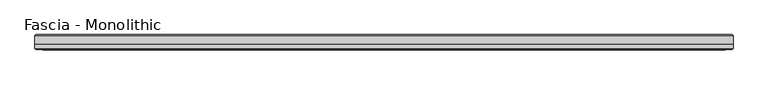
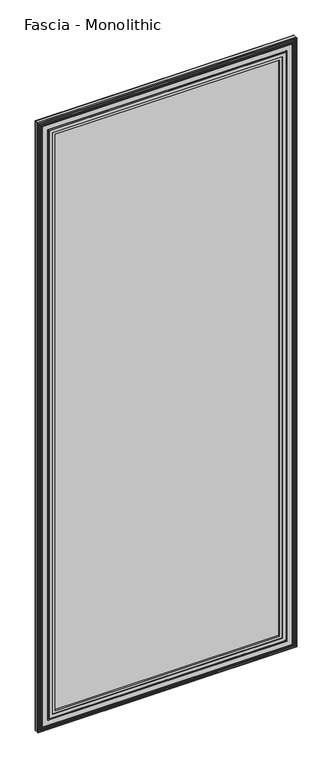
"""IFC4 building model written with IfcOpenShell, lengths in millimetres: proxy geometry, Fascia - Monolithic."""

from ifc_helpers import new_model, si_unit, frame, origin, place, context, project, spatial, ellipse_curve, source, transform, mapped, element, save
from ifc_brep_helpers import plane_surface, cylinder_surface, advanced_brep


def fascia_monolithic_ea681aa3(model_context):
    return source(origin(), model_context, "Body", "AdvancedBrep", [
        advanced_brep(
        [(-556.258091, -15.8650077, 46.2434077), (-556.5274987, -16.7386, 45.974), (556.5274987, -16.7386, 45.974), (556.258091, -15.8650077, 46.2434077), (-557.4319063, -14.6911923, 45.0695923), (557.4319063, -14.6911923, 45.0695923), (-550.3453063, -15.8650077, 52.1561923), (-549.171491, -14.6911923, 53.3300077), (549.171491, -14.6911923, 53.3300077), (550.3453063, -15.8650077, 52.1561923), (-550.0758987, -16.7386, 52.4256), (550.0758987, -16.7386, 52.4256), (-533.7944987, -15.5956, 68.707), (-534.5564987, -16.7386, 67.945), (534.5564987, -16.7386, 67.945), (533.7944987, -15.5956, 68.707), (-521.4754987, -8.4836, 81.026), (-521.4754987, -15.5956, 81.026), (521.4754987, -15.5956, 81.026), (521.4754987, -8.4836, 81.026), (-602.5014987, -15.2146, 0.0), (-602.5014987, -8.4836, 0.0), (602.5014987, -8.4836, 0.0), (602.5014987, -15.2146, 0.0), (-600.9774987, -16.7386, 1.524), (600.9774987, -16.7386, 1.524), (-598.930091, -15.8650077, 3.5714077), (-599.1994987, -16.7386, 3.302), (599.1994987, -16.7386, 3.302), (598.930091, -15.8650077, 3.5714077), (-600.1039063, -14.6911923, 2.3975923), (600.1039063, -14.6911923, 2.3975923), (-593.0173063, -15.8650077, 9.4841923), (-591.843491, -14.6911923, 10.6580077), (591.843491, -14.6911923, 10.6580077), (593.0173063, -15.8650077, 9.4841923), (-592.7478987, -16.7386, 9.7536), (592.7478987, -16.7386, 9.7536), (-587.8583987, -16.7386, 14.6431), (-589.3823987, -16.7386, 13.1191), (589.3823987, -16.7386, 13.1191), (587.8583987, -16.7386, 14.6431), (-581.8893987, -16.7386, 20.6121), (-584.3023987, -16.7386, 18.1991), (584.3023987, -16.7386, 18.1991), (581.8893987, -16.7386, 20.6121), (556.5274987, -16.7386, 2946.7494), (556.258091, -15.8650077, 2946.4799923), (557.4319063, -14.6911923, 2947.6538077), (549.171491, -14.6911923, 2939.3933923), (550.3453063, -15.8650077, 2940.5672077), (550.0758987, -16.7386, 2940.2978), (534.5564987, -16.7386, 2924.7784), (533.7944987, -15.5956, 2924.0164), (521.4754987, -15.5956, 2911.6974), (521.4754987, -8.4836, 2911.6974), (602.5014987, -8.4836, 2992.7234), (602.5014987, -15.2146, 2992.7234), (600.9774987, -16.7386, 2991.1994), (599.1994987, -16.7386, 2989.4214), (598.930091, -15.8650077, 2989.1519923), (600.1039063, -14.6911923, 2990.3258077), (591.843491, -14.6911923, 2982.0653923), (593.0173063, -15.8650077, 2983.2392077), (592.7478987, -16.7386, 2982.9698), (589.3823987, -16.7386, 2979.6043), (587.8583987, -16.7386, 2978.0803), (584.3023987, -16.7386, 2974.5243), (581.8893987, -16.7386, 2972.1113), (-556.5274987, -16.7386, 2946.7494), (-556.258091, -15.8650077, 2946.4799923), (-557.4319063, -14.6911923, 2947.6538077), (-549.171491, -14.6911923, 2939.3933923), (-550.3453063, -15.8650077, 2940.5672077), (-550.0758987, -16.7386, 2940.2978), (-534.5564987, -16.7386, 2924.7784), (-533.7944987, -15.5956, 2924.0164), (-521.4754987, -15.5956, 2911.6974), (-521.4754987, -8.4836, 2911.6974), (-602.5014987, -8.4836, 2992.7234), (-602.5014987, -15.2146, 2992.7234), (-600.9774987, -16.7386, 2991.1994), (-599.1994987, -16.7386, 2989.4214), (-598.930091, -15.8650077, 2989.1519923), (-600.1039063, -14.6911923, 2990.3258077), (-591.843491, -14.6911923, 2982.0653923), (-593.0173063, -15.8650077, 2983.2392077), (-592.7478987, -16.7386, 2982.9698), (-589.3823987, -16.7386, 2979.6043), (-587.8583987, -16.7386, 2978.0803), (-584.3023987, -16.7386, 2974.5243), (-581.8893987, -16.7386, 2972.1113)],
        [
            (0, 1, ellipse_curve(frame((-556.6236833, -16.2306, 45.8778154), z_axis=(0.7071067811865475, 0.0, -0.7071067811865475), x_axis=(-0.7071067811865476, 0.0, -0.7071067811865474)), 0.7311846, 0.5170256)),
            (1, 2),
            (2, 3, ellipse_curve(frame((556.6236833, -16.2306, 45.8778154), z_axis=(-0.7071067811865475, 0.0, -0.7071067811865475), x_axis=(-0.7071067811865476, 0.0, 0.7071067811865474)), 0.7311846, 0.5170256)),
            (3, 0),
            (4, 0),
            (3, 5),
            (5, 4),
            (6, 7),
            (7, 8),
            (8, 9),
            (9, 6),
            (10, 6, ellipse_curve(frame((-549.979714, -16.2306, 52.5217846), z_axis=(0.7071067811865475, 0.0, -0.7071067811865475), x_axis=(-0.7071067811865476, 0.0, -0.7071067811865474)), 0.7311846, 0.5170256)),
            (9, 11, ellipse_curve(frame((549.979714, -16.2306, 52.5217846), z_axis=(-0.7071067811865475, 0.0, -0.7071067811865475), x_axis=(-0.7071067811865476, 0.0, 0.7071067811865474)), 0.7311846, 0.5170256)),
            (11, 10),
            (12, 13),
            (13, 14),
            (14, 15),
            (15, 12),
            (16, 17),
            (17, 18),
            (18, 19),
            (19, 16),
            (20, 21),
            (21, 22),
            (22, 23),
            (23, 20),
            (24, 20),
            (23, 25),
            (25, 24),
            (26, 27, ellipse_curve(frame((-599.2956833, -16.2306, 3.2058154), z_axis=(0.7071067811865475, 0.0, -0.7071067811865475), x_axis=(-0.7071067811865476, 0.0, -0.7071067811865474)), 0.7311846, 0.5170256)),
            (27, 28),
            (28, 29, ellipse_curve(frame((599.2956833, -16.2306, 3.2058154), z_axis=(-0.7071067811865475, 0.0, -0.7071067811865475), x_axis=(-0.7071067811865476, 0.0, 0.7071067811865474)), 0.7311846, 0.5170256)),
            (29, 26),
            (30, 26),
            (29, 31),
            (31, 30),
            (32, 33),
            (33, 34),
            (34, 35),
            (35, 32),
            (36, 32, ellipse_curve(frame((-592.651714, -16.2306, 9.8497846), z_axis=(0.7071067811865475, 0.0, -0.7071067811865475), x_axis=(-0.7071067811865476, 0.0, -0.7071067811865474)), 0.7311846, 0.5170256)),
            (35, 37, ellipse_curve(frame((592.651714, -16.2306, 9.8497846), z_axis=(-0.7071067811865475, 0.0, -0.7071067811865475), x_axis=(-0.7071067811865476, 0.0, 0.7071067811865474)), 0.7311846, 0.5170256)),
            (37, 36),
            (38, 39, ellipse_curve(frame((-588.6203987, -16.7386, 13.8811), z_axis=(0.7071067811865475, 0.0, -0.7071067811865475), x_axis=(-0.7071067811865476, 0.0, -0.7071067811865474)), 1.0776307, 0.762)),
            (39, 40),
            (40, 41, ellipse_curve(frame((588.6203987, -16.7386, 13.8811), z_axis=(-0.7071067811865475, 0.0, -0.7071067811865475), x_axis=(-0.7071067811865476, 0.0, 0.7071067811865474)), 1.0776307, 0.762)),
            (41, 38),
            (42, 43, ellipse_curve(frame((-583.0958987, -16.0202269, 19.4056), z_axis=(0.7071067811865475, 0.0, -0.7071067811865475), x_axis=(-0.7071067811865476, 0.0, -0.7071067811865474)), 1.9858007, 1.4041731)),
            (43, 44),
            (44, 45, ellipse_curve(frame((583.0958987, -16.0202269, 19.4056), z_axis=(-0.7071067811865475, 0.0, -0.7071067811865475), x_axis=(-0.7071067811865476, 0.0, 0.7071067811865474)), 1.9858007, 1.4041731)),
            (45, 42),
            (2, 46),
            (46, 47, ellipse_curve(frame((556.6236833, -16.2306, 2946.8455846), z_axis=(0.7071067811865475, 0.0, -0.7071067811865475), x_axis=(-0.7071067811865474, 0.0, -0.7071067811865476)), 0.7311846, 0.5170256)),
            (47, 3),
            (47, 48),
            (48, 5),
            (8, 49),
            (49, 50),
            (50, 9),
            (50, 51, ellipse_curve(frame((549.979714, -16.2306, 2940.2016154), z_axis=(0.7071067811865475, 0.0, -0.7071067811865475), x_axis=(-0.7071067811865474, 0.0, -0.7071067811865476)), 0.7311846, 0.5170256)),
            (51, 11),
            (14, 52),
            (52, 53),
            (53, 15),
            (18, 54),
            (54, 55),
            (55, 19),
            (22, 56),
            (56, 57),
            (57, 23),
            (57, 58),
            (58, 25),
            (28, 59),
            (59, 60, ellipse_curve(frame((599.2956833, -16.2306, 2989.5175846), z_axis=(0.7071067811865475, 0.0, -0.7071067811865475), x_axis=(-0.7071067811865474, 0.0, -0.7071067811865476)), 0.7311846, 0.5170256)),
            (60, 29),
            (60, 61),
            (61, 31),
            (34, 62),
            (62, 63),
            (63, 35),
            (63, 64, ellipse_curve(frame((592.651714, -16.2306, 2982.8736154), z_axis=(0.7071067811865475, 0.0, -0.7071067811865475), x_axis=(-0.7071067811865474, 0.0, -0.7071067811865476)), 0.7311846, 0.5170256)),
            (64, 37),
            (40, 65),
            (65, 66, ellipse_curve(frame((588.6203987, -16.7386, 2978.8423), z_axis=(0.7071067811865475, 0.0, -0.7071067811865475), x_axis=(-0.7071067811865474, 0.0, -0.7071067811865476)), 1.0776307, 0.762)),
            (66, 41),
            (44, 67),
            (67, 68, ellipse_curve(frame((583.0958987, -16.0202269, 2973.3178), z_axis=(0.7071067811865475, 0.0, -0.7071067811865475), x_axis=(-0.7071067811865474, 0.0, -0.7071067811865476)), 1.9858007, 1.4041731)),
            (68, 45),
            (46, 69),
            (69, 70, ellipse_curve(frame((-556.6236833, -16.2306, 2946.8455846), z_axis=(0.7071067811865475, 0.0, 0.7071067811865475), x_axis=(0.7071067811865476, 0.0, -0.7071067811865474)), 0.7311846, 0.5170256)),
            (70, 47),
            (70, 71),
            (71, 48),
            (49, 72),
            (72, 73),
            (73, 50),
            (73, 74, ellipse_curve(frame((-549.979714, -16.2306, 2940.2016154), z_axis=(0.7071067811865475, 0.0, 0.7071067811865475), x_axis=(0.7071067811865476, 0.0, -0.7071067811865474)), 0.7311846, 0.5170256)),
            (74, 51),
            (52, 75),
            (75, 76),
            (76, 53),
            (54, 77),
            (77, 78),
            (78, 55),
            (56, 79),
            (79, 80),
            (80, 57),
            (80, 81),
            (81, 58),
            (59, 82),
            (82, 83, ellipse_curve(frame((-599.2956833, -16.2306, 2989.5175846), z_axis=(0.7071067811865475, 0.0, 0.7071067811865475), x_axis=(0.7071067811865476, 0.0, -0.7071067811865474)), 0.7311846, 0.5170256)),
            (83, 60),
            (83, 84),
            (84, 61),
            (62, 85),
            (85, 86),
            (86, 63),
            (86, 87, ellipse_curve(frame((-592.651714, -16.2306, 2982.8736154), z_axis=(0.7071067811865475, 0.0, 0.7071067811865475), x_axis=(0.7071067811865476, 0.0, -0.7071067811865474)), 0.7311846, 0.5170256)),
            (87, 64),
            (65, 88),
            (88, 89, ellipse_curve(frame((-588.6203987, -16.7386, 2978.8423), z_axis=(0.7071067811865475, 0.0, 0.7071067811865475), x_axis=(0.7071067811865476, 0.0, -0.7071067811865474)), 1.0776307, 0.762)),
            (89, 66),
            (67, 90),
            (90, 91, ellipse_curve(frame((-583.0958987, -16.0202269, 2973.3178), z_axis=(0.7071067811865475, 0.0, 0.7071067811865475), x_axis=(0.7071067811865476, 0.0, -0.7071067811865474)), 1.9858007, 1.4041731)),
            (91, 68),
            (91, 42),
            (1, 69),
            (0, 70),
            (4, 71),
            (7, 72),
            (6, 73),
            (10, 74),
            (13, 75),
            (12, 76),
            (17, 77),
            (16, 78),
            (21, 79),
            (20, 80),
            (24, 81),
            (27, 82),
            (26, 83),
            (30, 84),
            (33, 85),
            (32, 86),
            (36, 87),
            (39, 88),
            (38, 89),
            (43, 90),
        ],
        [
            cylinder_surface(frame((-602.5014987, -16.2306, 45.8778154), z_axis=(-1.0, 0.0, 0.0), x_axis=(0.0, 0.0, 1.0)), 0.5170256),
            plane_surface(frame((-556.258091, -15.8650077, 46.2434077), z_axis=(0.0, 0.7071067813016592, 0.7071067810714359), x_axis=(1.0, 0.0, 0.0))),
            plane_surface(frame((-549.171491, -14.6911923, 53.3300077), z_axis=(0.0, 0.7071067813016237, -0.7071067810714713), x_axis=(1.0, 0.0, 0.0))),
            cylinder_surface(frame((-602.5014987, -16.2306, 52.5217846), z_axis=(-1.0, 0.0, 0.0), x_axis=(0.0, 0.0, 1.0)), 0.5170256),
            plane_surface(frame((-534.5564987, -16.7386, 67.945), z_axis=(0.0, -0.554700195976685, 0.8320502945035398), x_axis=(1.0, 0.0, 0.0))),
            plane_surface(frame((-521.4754987, -15.5956, 81.026), z_axis=(0.0, 0.0, 1.0), x_axis=(1.0, 0.0, 0.0))),
            plane_surface(frame((-602.5014987, -8.4836, 0.0), z_axis=(0.0, 0.0, -1.0), x_axis=(1.0, 0.0, 0.0))),
            plane_surface(frame((-602.5014987, -15.2146, 0.0), z_axis=(0.0, -0.7071067811865392, -0.7071067811865558), x_axis=(1.0, 0.0, 0.0))),
            cylinder_surface(frame((-602.5014987, -16.2306, 3.2058154), z_axis=(-1.0, 0.0, 0.0), x_axis=(0.0, 0.0, 1.0)), 0.5170256),
            plane_surface(frame((-598.930091, -15.8650077, 3.5714077), z_axis=(0.0, 0.707106781113895, 0.7071067812592001), x_axis=(1.0, 0.0, 0.0))),
            plane_surface(frame((-591.843491, -14.6911923, 10.6580077), z_axis=(0.0, 0.7071067811880475, -0.7071067811850476), x_axis=(1.0, 0.0, 0.0))),
            cylinder_surface(frame((-602.5014987, -16.2306, 9.8497846), z_axis=(-1.0, 0.0, 0.0), x_axis=(0.0, 0.0, 1.0)), 0.5170256),
            cylinder_surface(frame((-602.5014987, -16.7386, 13.8811), z_axis=(-1.0, 0.0, 0.0), x_axis=(0.0, 0.0, 1.0)), 0.762),
            cylinder_surface(frame((-602.5014987, -16.0202269, 19.4056), z_axis=(-1.0, 0.0, 0.0), x_axis=(0.0, 0.0, 1.0)), 1.4041731),
            cylinder_surface(frame((556.6236833, -16.2306, 0.0), z_axis=(0.0, 0.0, -1.0), x_axis=(-1.0, 0.0, 0.0)), 0.5170256),
            plane_surface(frame((556.258091, -15.8650077, 46.2434077), z_axis=(-0.7071067810714261, 0.7071067813016689, 0.0), x_axis=(0.0, 0.0, 1.0))),
            plane_surface(frame((549.171491, -14.6911923, 53.3300077), z_axis=(0.7071067810714811, 0.707106781301614, 0.0), x_axis=(0.0, 0.0, 1.0))),
            cylinder_surface(frame((549.979714, -16.2306, 0.0), z_axis=(0.0, 0.0, -1.0), x_axis=(-1.0, 0.0, 0.0)), 0.5170256),
            plane_surface(frame((534.5564987, -16.7386, 67.945), z_axis=(-0.8320502945035475, -0.5547001959766734, 0.0), x_axis=(0.0, 0.0, 1.0))),
            plane_surface(frame((521.4754987, -15.5956, 81.026), z_axis=(-1.0, 0.0, 0.0), x_axis=(0.0, 0.0, 1.0))),
            plane_surface(frame((602.5014987, -8.4836, 0.0), z_axis=(1.0, 0.0, 0.0), x_axis=(0.0, 0.0, 1.0))),
            plane_surface(frame((602.5014987, -15.2146, 0.0), z_axis=(0.707106781186546, -0.707106781186549, 0.0), x_axis=(0.0, 0.0, 1.0))),
            cylinder_surface(frame((599.2956833, -16.2306, 0.0), z_axis=(0.0, 0.0, -1.0), x_axis=(-1.0, 0.0, 0.0)), 0.5170256),
            plane_surface(frame((598.930091, -15.8650077, 3.5714077), z_axis=(-0.7071067812591904, 0.7071067811139048, 0.0), x_axis=(0.0, 0.0, 1.0))),
            plane_surface(frame((591.843491, -14.6911923, 10.6580077), z_axis=(0.7071067811850573, 0.7071067811880377, 0.0), x_axis=(0.0, 0.0, 1.0))),
            cylinder_surface(frame((592.651714, -16.2306, 0.0), z_axis=(0.0, 0.0, -1.0), x_axis=(-1.0, 0.0, 0.0)), 0.5170256),
            cylinder_surface(frame((588.6203987, -16.7386, 0.0), z_axis=(0.0, 0.0, -1.0), x_axis=(-1.0, 0.0, 0.0)), 0.762),
            cylinder_surface(frame((583.0958987, -16.0202269, 0.0), z_axis=(0.0, 0.0, -1.0), x_axis=(-1.0, 0.0, 0.0)), 1.4041731),
            cylinder_surface(frame((602.5014987, -16.2306, 2946.8455846), z_axis=(1.0, 0.0, 0.0), x_axis=(0.0, 0.0, -1.0)), 0.5170256),
            plane_surface(frame((556.258091, -15.8650077, 2946.4799923), z_axis=(0.0, 0.7071067813016787, -0.7071067810714163), x_axis=(-1.0, 0.0, 0.0))),
            plane_surface(frame((549.171491, -14.6911923, 2939.3933923), z_axis=(0.0, 0.7071067813016042, 0.7071067810714908), x_axis=(-1.0, 0.0, 0.0))),
            cylinder_surface(frame((602.5014987, -16.2306, 2940.2016154), z_axis=(1.0, 0.0, 0.0), x_axis=(0.0, 0.0, -1.0)), 0.5170256),
            plane_surface(frame((534.5564987, -16.7386, 2924.7784), z_axis=(0.0, -0.5547001959766619, -0.8320502945035552), x_axis=(-1.0, 0.0, 0.0))),
            plane_surface(frame((521.4754987, -15.5956, 2911.6974), z_axis=(0.0, 0.0, -1.0), x_axis=(-1.0, 0.0, 0.0))),
            plane_surface(frame((602.5014987, -8.4836, 2992.7234), z_axis=(0.0, 0.0, 1.0), x_axis=(-1.0, 0.0, 0.0))),
            plane_surface(frame((602.5014987, -15.2146, 2992.7234), z_axis=(0.0, -0.7071067811865588, 0.7071067811865362), x_axis=(-1.0, 0.0, 0.0))),
            cylinder_surface(frame((602.5014987, -16.2306, 2989.5175846), z_axis=(1.0, 0.0, 0.0), x_axis=(0.0, 0.0, -1.0)), 0.5170256),
            plane_surface(frame((598.930091, -15.8650077, 2989.1519923), z_axis=(0.0, 0.7071067811139146, -0.7071067812591806), x_axis=(-1.0, 0.0, 0.0))),
            plane_surface(frame((591.843491, -14.6911923, 2982.0653923), z_axis=(0.0, 0.7071067811880279, 0.7071067811850671), x_axis=(-1.0, 0.0, 0.0))),
            cylinder_surface(frame((602.5014987, -16.2306, 2982.8736154), z_axis=(1.0, 0.0, 0.0), x_axis=(0.0, 0.0, -1.0)), 0.5170256),
            cylinder_surface(frame((602.5014987, -16.7386, 2978.8423), z_axis=(1.0, 0.0, 0.0), x_axis=(0.0, 0.0, -1.0)), 0.762),
            cylinder_surface(frame((602.5014987, -16.0202269, 2973.3178), z_axis=(1.0, 0.0, 0.0), x_axis=(0.0, 0.0, -1.0)), 1.4041731),
            plane_surface(frame((-581.8893987, -16.7386, 2972.1113), z_axis=(0.0, -1.0, 0.0), x_axis=(0.0, 0.0, -1.0))),
            cylinder_surface(frame((-556.6236833, -16.2306, 2992.7234), z_axis=(0.0, 0.0, 1.0), x_axis=(1.0, 0.0, 0.0)), 0.5170256),
            plane_surface(frame((-556.258091, -15.8650077, 2946.4799923), z_axis=(0.7071067810714261, 0.7071067813016689, 0.0), x_axis=(0.0, 0.0, -1.0))),
            plane_surface(frame((-557.4319063, -14.6911923, 2947.6538077), z_axis=(0.0, -1.0, 0.0), x_axis=(0.0, 0.0, -1.0))),
            plane_surface(frame((-549.171491, -14.6911923, 2939.3933923), z_axis=(-0.7071067810714811, 0.707106781301614, 0.0), x_axis=(0.0, 0.0, -1.0))),
            cylinder_surface(frame((-549.979714, -16.2306, 2992.7234), z_axis=(0.0, 0.0, 1.0), x_axis=(1.0, 0.0, 0.0)), 0.5170256),
            plane_surface(frame((-550.0758987, -16.7386, 2940.2978), z_axis=(0.0, -1.0, 0.0), x_axis=(0.0, 0.0, -1.0))),
            plane_surface(frame((-534.5564987, -16.7386, 2924.7784), z_axis=(0.8320502945035475, -0.5547001959766734, 0.0), x_axis=(0.0, 0.0, -1.0))),
            plane_surface(frame((-533.7944987, -15.5956, 2924.0164), z_axis=(0.0, -1.0, 0.0), x_axis=(0.0, 0.0, -1.0))),
            plane_surface(frame((-521.4754987, -15.5956, 2911.6974), z_axis=(1.0, 0.0, 0.0), x_axis=(0.0, 0.0, -1.0))),
            plane_surface(frame((-521.4754987, -8.4836, 2911.6974), z_axis=(0.0, 1.0, 0.0), x_axis=(0.0, 0.0, -1.0))),
            plane_surface(frame((-602.5014987, -8.4836, 2992.7234), z_axis=(-1.0, 0.0, 0.0), x_axis=(0.0, 0.0, -1.0))),
            plane_surface(frame((-602.5014987, -15.2146, 2992.7234), z_axis=(-0.707106781186546, -0.707106781186549, 0.0), x_axis=(0.0, 0.0, -1.0))),
            plane_surface(frame((-600.9774987, -16.7386, 2991.1994), z_axis=(0.0, -1.0, 0.0), x_axis=(0.0, 0.0, -1.0))),
            cylinder_surface(frame((-599.2956833, -16.2306, 2992.7234), z_axis=(0.0, 0.0, 1.0), x_axis=(1.0, 0.0, 0.0)), 0.5170256),
            plane_surface(frame((-598.930091, -15.8650077, 2989.1519923), z_axis=(0.7071067812591904, 0.7071067811139048, 0.0), x_axis=(0.0, 0.0, -1.0))),
            plane_surface(frame((-600.1039063, -14.6911923, 2990.3258077), z_axis=(0.0, -1.0, 0.0), x_axis=(0.0, 0.0, -1.0))),
            plane_surface(frame((-591.843491, -14.6911923, 2982.0653923), z_axis=(-0.7071067811850573, 0.7071067811880377, 0.0), x_axis=(0.0, 0.0, -1.0))),
            cylinder_surface(frame((-592.651714, -16.2306, 2992.7234), z_axis=(0.0, 0.0, 1.0), x_axis=(1.0, 0.0, 0.0)), 0.5170256),
            plane_surface(frame((-592.7478987, -16.7386, 2982.9698), z_axis=(0.0, -1.0, 0.0), x_axis=(0.0, 0.0, -1.0))),
            cylinder_surface(frame((-588.6203987, -16.7386, 2992.7234), z_axis=(0.0, 0.0, 1.0), x_axis=(1.0, 0.0, 0.0)), 0.762),
            plane_surface(frame((-587.8583987, -16.7386, 2978.0803), z_axis=(0.0, -1.0, 0.0), x_axis=(0.0, 0.0, -1.0))),
            cylinder_surface(frame((-583.0958987, -16.0202269, 2992.7234), z_axis=(0.0, 0.0, 1.0), x_axis=(1.0, 0.0, 0.0)), 1.4041731),
        ],
        [
            (0, [[1, 2, 3, 4]]),
            (1, [[5, -4, 6, 7]]),
            (2, [[8, 9, 10, 11]]),
            (3, [[12, -11, 13, 14]]),
            (4, [[15, 16, 17, 18]]),
            (5, [[19, 20, 21, 22]]),
            (6, [[23, 24, 25, 26]]),
            (7, [[27, -26, 28, 29]]),
            (8, [[30, 31, 32, 33]]),
            (9, [[34, -33, 35, 36]]),
            (10, [[37, 38, 39, 40]]),
            (11, [[41, -40, 42, 43]]),
            (12, [[44, 45, 46, 47]]),
            (13, [[48, 49, 50, 51]]),
            (14, [[-3, 52, 53, 54]]),
            (15, [[-6, -54, 55, 56]]),
            (16, [[-10, 57, 58, 59]]),
            (17, [[-13, -59, 60, 61]]),
            (18, [[-17, 62, 63, 64]]),
            (19, [[-21, 65, 66, 67]]),
            (20, [[-25, 68, 69, 70]]),
            (21, [[-28, -70, 71, 72]]),
            (22, [[-32, 73, 74, 75]]),
            (23, [[-35, -75, 76, 77]]),
            (24, [[-39, 78, 79, 80]]),
            (25, [[-42, -80, 81, 82]]),
            (26, [[-46, 83, 84, 85]]),
            (27, [[-50, 86, 87, 88]]),
            (28, [[-53, 89, 90, 91]]),
            (29, [[-55, -91, 92, 93]]),
            (30, [[-58, 94, 95, 96]]),
            (31, [[-60, -96, 97, 98]]),
            (32, [[-63, 99, 100, 101]]),
            (33, [[-66, 102, 103, 104]]),
            (34, [[-69, 105, 106, 107]]),
            (35, [[-71, -107, 108, 109]]),
            (36, [[-74, 110, 111, 112]]),
            (37, [[-76, -112, 113, 114]]),
            (38, [[-79, 115, 116, 117]]),
            (39, [[-81, -117, 118, 119]]),
            (40, [[-84, 120, 121, 122]]),
            (41, [[-87, 123, 124, 125]]),
            (42, [[-88, -125, 126, -51], [127, -89, -52, -2]]),
            (43, [[-90, -127, -1, 128]]),
            (44, [[-92, -128, -5, 129]]),
            (45, [[-56, -93, -129, -7], [130, -94, -57, -9]]),
            (46, [[-95, -130, -8, 131]]),
            (47, [[-97, -131, -12, 132]]),
            (48, [[-61, -98, -132, -14], [133, -99, -62, -16]]),
            (49, [[-100, -133, -15, 134]]),
            (50, [[-64, -101, -134, -18], [135, -102, -65, -20]]),
            (51, [[-103, -135, -19, 136]]),
            (52, [[137, -105, -68, -24], [-67, -104, -136, -22]]),
            (53, [[-106, -137, -23, 138]]),
            (54, [[-108, -138, -27, 139]]),
            (55, [[-72, -109, -139, -29], [140, -110, -73, -31]]),
            (56, [[-111, -140, -30, 141]]),
            (57, [[-113, -141, -34, 142]]),
            (58, [[-77, -114, -142, -36], [143, -115, -78, -38]]),
            (59, [[-116, -143, -37, 144]]),
            (60, [[-118, -144, -41, 145]]),
            (61, [[-82, -119, -145, -43], [146, -120, -83, -45]]),
            (62, [[-121, -146, -44, 147]]),
            (63, [[-85, -122, -147, -47], [148, -123, -86, -49]]),
            (64, [[-124, -148, -48, -126]]),
        ],
    ),
        advanced_brep(
        [(-602.5014987, -8.4836, 2992.7234), (602.5014987, -8.4836, 2992.7234), (602.5014987, 6.1862895, 2992.7234), (-602.5014987, 6.1862895, 2992.7234), (602.5014987, -8.4836, 0.0), (-602.5014987, -8.4836, 0.0), (-602.5014987, 6.1862895, 0.0), (602.5014987, 6.1862895, 0.0), (600.2041882, 8.4836, 2.2973105), (-600.2041882, 8.4836, 2.2973105), (-600.2041882, 8.4836, 2990.4260895), (600.2041882, 8.4836, 2990.4260895)],
        [
            (0, 1),
            (1, 2),
            (2, 3),
            (3, 0),
            (4, 5),
            (5, 6),
            (6, 7),
            (7, 4),
            (8, 9),
            (9, 10),
            (10, 11),
            (11, 8),
            (5, 0),
            (3, 6),
            (4, 1),
            (7, 2),
            (8, 7, ellipse_curve(frame((600.2041882, 6.1862895, 2.2973105), z_axis=(-0.7071067811865475, 0.0, -0.7071067811865475), x_axis=(0.7071067811865476, 0.0, -0.7071067811865474)), 3.2488876, 2.2973105)),
            (6, 9, ellipse_curve(frame((-600.2041882, 6.1862895, 2.2973105), z_axis=(0.7071067811865475, 0.0, -0.7071067811865475), x_axis=(0.7071067811865476, 0.0, 0.7071067811865474)), 3.2488876, 2.2973105)),
            (11, 2, ellipse_curve(frame((600.2041882, 6.1862895, 2990.4260895), z_axis=(0.7071067811865475, 0.0, -0.7071067811865475), x_axis=(0.7071067811865474, 0.0, 0.7071067811865476)), 3.2488876, 2.2973105)),
            (10, 3, ellipse_curve(frame((-600.2041882, 6.1862895, 2990.4260895), z_axis=(0.7071067811865475, 0.0, 0.7071067811865475), x_axis=(-0.7071067811865476, 0.0, 0.7071067811865474)), 3.2488876, 2.2973105)),
        ],
        [
            plane_surface(frame((0.0, 198.5529455, 2992.7234), z_axis=(0.0, 0.0, 1.0), x_axis=(0.0, -1.0, 0.0))),
            plane_surface(frame((0.0, 198.5529455, 0.0), z_axis=(0.0, 0.0, -1.0), x_axis=(0.0, -1.0, 0.0))),
            plane_surface(frame((602.5014987, 8.4836, 2992.7234), z_axis=(0.0, 1.0, 0.0), x_axis=(0.0, 0.0, -1.0))),
            plane_surface(frame((-602.5014987, 8.4836, 2992.7234), z_axis=(-1.0, 0.0, 0.0), x_axis=(0.0, 0.0, -1.0))),
            plane_surface(frame((-602.5014987, -8.4836, 2992.7234), z_axis=(0.0, -1.0, 0.0), x_axis=(0.0, 0.0, -1.0))),
            plane_surface(frame((602.5014987, -8.4836, 2992.7234), z_axis=(1.0, 0.0, 0.0), x_axis=(0.0, 0.0, -1.0))),
            cylinder_surface(frame((-602.5014987, 6.1862895, 2.2973105), z_axis=(1.0, 0.0, 0.0), x_axis=(0.0, -1.0, 0.0)), 2.2973105),
            cylinder_surface(frame((600.2041882, 6.1862895, 0.0), z_axis=(0.0, 0.0, 1.0), x_axis=(0.0, -1.0, 0.0)), 2.2973105),
            cylinder_surface(frame((602.5014987, 6.1862895, 2990.4260895), z_axis=(-1.0, 0.0, 0.0), x_axis=(0.0, -1.0, 0.0)), 2.2973105),
            cylinder_surface(frame((-600.2041882, 6.1862895, 2992.7234), z_axis=(0.0, 0.0, -1.0), x_axis=(0.0, -1.0, 0.0)), 2.2973105),
        ],
        [
            (0, [[1, 2, 3, 4]]),
            (1, [[5, 6, 7, 8]]),
            (2, [[9, 10, 11, 12]]),
            (3, [[13, -4, 14, -6]]),
            (4, [[-1, -13, -5, 15]]),
            (5, [[-15, -8, 16, -2]]),
            (6, [[17, -7, 18, -9]]),
            (7, [[-17, -12, 19, -16]]),
            (8, [[-19, -11, 20, -3]]),
            (9, [[-18, -14, -20, -10]]),
        ],
    ),
    ])


if __name__ == "__main__":
    model = new_model("IFC4")
    model_context = context("Model", 3, world=origin())
    ifc_project = project(units=[si_unit("LENGTHUNIT", "METRE", prefix="MILLI")], contexts=[model_context])
    site = spatial("IfcSite", under=ifc_project)
    building = spatial("IfcBuilding", under=site)
    placement = place(None, origin())
    fascia_monolithic_shape = fascia_monolithic_ea681aa3(model_context)
    element("IfcBuildingElementProxy", 1, Name="Fascia - Monolithic", ObjectType="Fascia - Monolithic", at=placement, inside=building, context=model_context, shape_type="MappedRepresentation", body=[
        mapped(fascia_monolithic_shape, transform((0.0, 0.0, 0.0), x_axis=(1.0, 0.0, 0.0), y_axis=(0.0, 1.0, 0.0), z_axis=(0.0, 0.0, 1.0))),
    ])
    save(model, "model.ifc")
